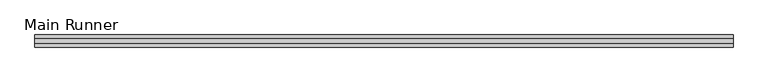
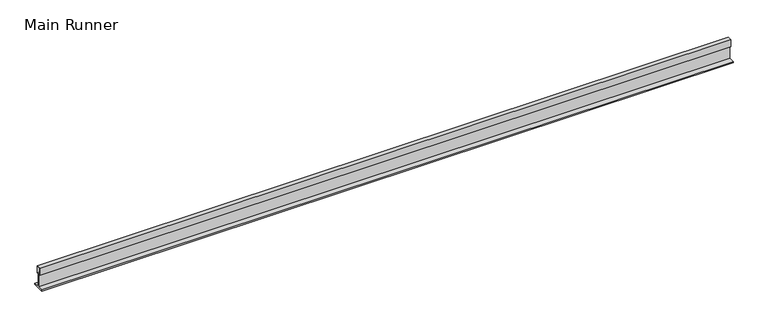
"""IFC4 building model written with IfcOpenShell, lengths in millimetres: beam geometry, Main Runner."""

from ifc_helpers import new_model, si_unit, frame, origin, place, context, project, spatial, polyline, outline, extrude, source, transform, mapped, element, save


def main_runner_786fe85f(model_context):
    return source(origin(), model_context, "Body", "SweptSolid", [
        extrude(outline(polyline([(11.0, -2.0), (0.0, -2.0), (-11.0, -2.0), (-11.0, 0.0), (-1.0, 0.0), (-1.0, 24.0), (-4.0, 24.0), (-4.0, 38.1243468), (4.0, 38.1243468), (4.0, 24.0), (1.0, 24.0), (1.0, 0.0), (11.0, 0.0), (11.0, -2.0)]), holes=[polyline([(3.0, 37.1243468), (-3.0169966, 37.1243468), (-3.0169966, 25.0), (0.0, 25.0), (3.0, 25.0), (3.0, 37.1243468)])]), frame((-630.9999994, 0.0, 0.0), z_axis=(1.0, 0.0, 0.0), x_axis=(0.0, 1.0, 0.0)), (0.0, 0.0, 1.0), 1261.9999988),
    ])


if __name__ == "__main__":
    model = new_model("IFC4")
    model_context = context("Model", 3, world=origin())
    ifc_project = project(units=[si_unit("LENGTHUNIT", "METRE", prefix="MILLI")], contexts=[model_context])
    site = spatial("IfcSite", under=ifc_project)
    building = spatial("IfcBuilding", under=site)
    placement = place(None, origin())
    main_runner_shape = main_runner_786fe85f(model_context)
    element("IfcBeam", 1, ObjectType="Main Runner", at=placement, inside=building, context=model_context, shape_type="MappedRepresentation", body=[
        mapped(main_runner_shape, transform((0.0, 0.0, 0.0), x_axis=(1.0, 0.0, 0.0), y_axis=(0.0, 1.0, 0.0), z_axis=(0.0, 0.0, 1.0))),
    ])
    save(model, "model.ifc")
